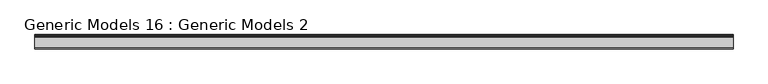
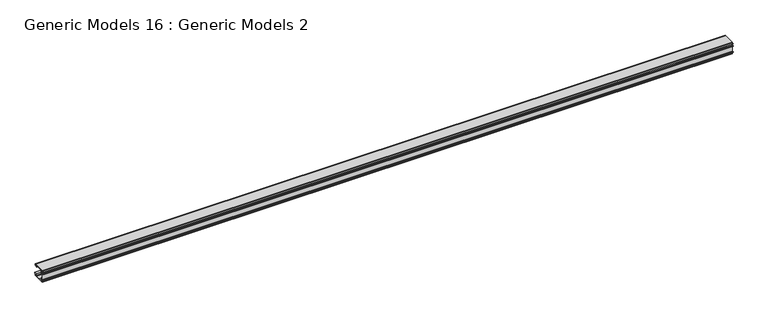
"""IFC4 building model written with IfcOpenShell, lengths in millimetres: proxy geometry, Generic Models 16 : Generic Models 2."""

from ifc_helpers import new_model, si_unit, frame, origin, place, context, project, spatial, polyline, outline, extrude, source, transform, mapped, element, save


def generic_models_16_generic_models_2_f3d47f27(model_context):
    return source(origin(), model_context, "Body", "SweptSolid", [
        extrude(outline(polyline([(119.3252257, -149.0391257), (119.8018538, -149.898605), (120.8526408, -149.898605), (122.2671399, -139.9971111), (123.6392888, -139.9971111), (123.6392888, -152.1516396), (168.1663663, -152.1516396), (168.1663663, -149.8393146), (172.4352739, -149.8393146), (177.2970852, -151.6180261), (177.5935372, -149.8393146), (180.7359274, -149.8393146), (180.7359274, -155.2940299), (116.2279909, -155.2940299), (116.2279909, -152.1516396), (118.5403159, -152.1516396), (118.5403159, -150.7437629), (117.8816535, -149.7304361), (118.3753568, -148.9898811), (119.3252257, -149.0391257)])), frame((-4586.4665824, 0.0, 0.0), z_axis=(1.0, 0.0, 0.0), x_axis=(0.0, 1.0, 0.0)), (0.0, 0.0, 1.0), 3657.6),
        extrude(outline(polyline([(181.9722603, -153.6815912), (180.9336472, -153.6815912), (180.9336472, -149.548729), (177.1674094, -149.548729), (176.9104032, -151.0907659), (172.6955025, -149.548729), (168.1663663, -149.548729), (168.1663663, -148.3434251), (173.4150328, -142.2501456), (185.0206458, -142.2501456), (181.9722603, -153.6815912)])), frame((-4586.4665824, 0.0, 0.0), z_axis=(1.0, 0.0, 0.0), x_axis=(0.0, 1.0, 0.0)), (0.0, 0.0, 1.0), 3657.6),
        extrude(outline(polyline([(168.8778509, -94.3435163), (125.9516137, -94.3435163), (125.9516137, -110.4112101), (119.0739293, -110.4112101), (119.0739293, -136.3211074), (125.9516137, -136.3211074), (125.9516137, -151.7958973), (124.4100638, -151.7958973), (124.4100638, -138.3369804), (119.0739293, -138.3369804), (119.0739293, -142.0722745), (117.7695409, -143.3766629), (117.7695409, -150.1950569), (118.4217351, -151.1437031), (117.8881217, -151.9737684), (116.5244429, -151.9737684), (116.5244429, -143.3766629), (110.2396623, -143.3766629), (110.2396623, -141.3607899), (116.5244429, -141.3607899), (116.5244429, -110.2926293), (110.2396623, -110.2926293), (110.2396623, -108.2767563), (116.5244429, -108.2767563), (116.5244429, -97.3673258), (110.2396623, -97.3673258), (110.2396623, -95.3514528), (116.5244429, -95.3514528), (116.5244429, -91.7940299), (178.9516748, -91.7940299), (179.5501198, -98.9088758), (174.5104372, -98.9088758), (174.2877368, -97.6044874), (176.3209603, -97.6044874), (176.3209603, -96.0138292), (174.4221672, -95.1284074), (172.1407482, -95.1284074), (170.4194008, -96.1222278), (170.4194008, -97.6044874), (172.227718, -97.6044874), (170.9234455, -98.9088758), (168.8778509, -98.9088758), (168.8778509, -94.3435163)]), holes=[polyline([(118.6588966, -94.9364202), (118.6588966, -108.2767563), (124.4100638, -108.2767563), (124.4100638, -94.9364202), (118.6588966, -94.9364202)])]), frame((-4586.4665824, 0.0, 0.0), z_axis=(1.0, 0.0, 0.0), x_axis=(0.0, 1.0, 0.0)), (0.0, 0.0, 1.0), 3657.6),
        extrude(outline(polyline([(183.5304698, -102.2501456), (168.8778509, -102.2501456), (168.8778509, -99.2157213), (171.1060908, -99.2157213), (172.9445022, -97.3773099), (170.690114, -97.3773099), (170.690114, -96.288123), (172.1804543, -95.4276746), (174.2607528, -95.4276746), (176.0622364, -96.2677202), (176.0622364, -97.2920692), (174.023973, -97.2920692), (174.3524014, -99.2157213), (179.7927012, -99.2157213), (179.2102906, -92.2915062), (181.3117055, -92.2915062), (183.5304698, -102.2501456)])), frame((-4586.4665824, 0.0, 0.0), z_axis=(1.0, 0.0, 0.0), x_axis=(0.0, 1.0, 0.0)), (0.0, 0.0, 1.0), 3657.6),
    ])


if __name__ == "__main__":
    model = new_model("IFC4")
    model_context = context("Model", 3, world=origin())
    ifc_project = project(units=[si_unit("LENGTHUNIT", "METRE", prefix="MILLI")], contexts=[model_context])
    site = spatial("IfcSite", under=ifc_project)
    building = spatial("IfcBuilding", under=site)
    placement = place(None, origin())
    generic_models_16_generic_models_2_shape = generic_models_16_generic_models_2_f3d47f27(model_context)
    element("IfcBuildingElementProxy", 1, Name="Generic Models 16 : Generic Models 2", ObjectType="Generic Models 16 : Generic Models 2", at=placement, inside=building, context=model_context, shape_type="MappedRepresentation", body=[
        mapped(generic_models_16_generic_models_2_shape, transform((0.0, 0.0, 0.0), x_axis=(1.0, 0.0, 0.0), y_axis=(0.0, 1.0, 0.0), z_axis=(0.0, 0.0, 1.0))),
    ])
    save(model, "model.ifc")
